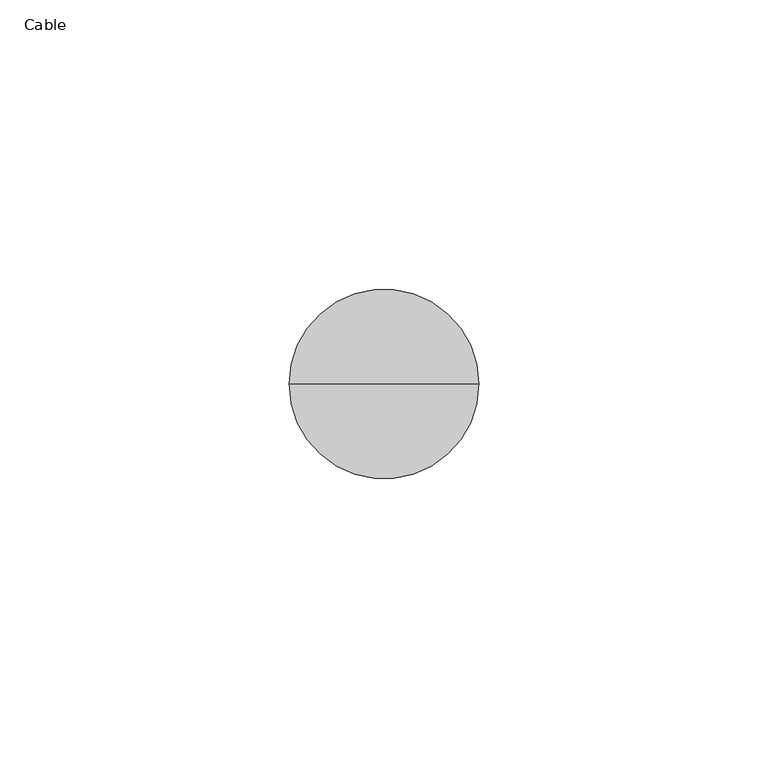
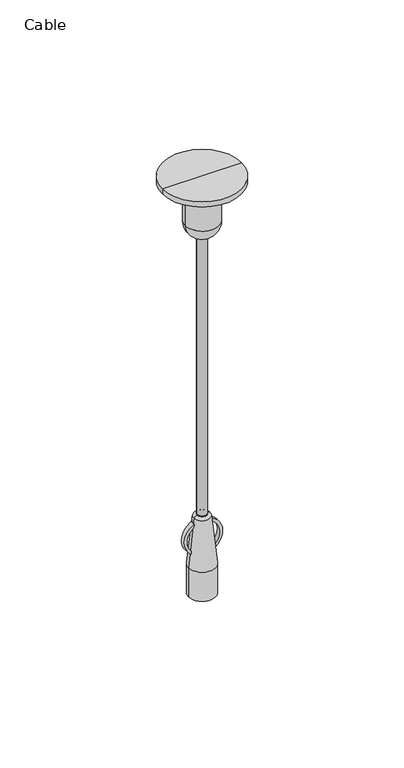
"""IFC4 building model written with IfcOpenShell, lengths in millimetres: proxy geometry, Cable."""

import ifcopenshell
import ifcopenshell.guid

model = None  # the IFC model being written
_history = None  # IfcOwnerHistory: only IFC2X3 demands one
_inside = {}  # id of a spatial element -> (the spatial element, [elements in it])
_under = {}  # id of a project, library or spatial element -> (it, [spatial elements below it])
_declared = {}  # id of a project -> (the project, [libraries it declares])
_typed = {}  # id of a type object -> (the type object, [elements of that type])
_made_of = {}  # id of a material, layer set ... -> (it, [elements and type objects made of it])


def new_model(schema):
    """Start an empty IFC model of exactly this schema.

    Asked for "IFC4X3", IfcOpenShell would pick the latest addendum, in which some entities
    have other attributes; the version numbers below select the first issue.
    IFC2X3 requires an IfcOwnerHistory on every rooted entity: one is made here for all.
    """
    global model, _history
    if schema == "IFC4X3":
        model = ifcopenshell.file(schema_version=(4, 3, 0, 0))
    else:
        model = ifcopenshell.file(schema=schema)
    _inside.clear()
    _under.clear()
    _declared.clear()
    _typed.clear()
    _made_of.clear()
    _history = None
    if model.schema == "IFC2X3":
        org = make("IfcOrganization", Name="unknown")
        user = make(
            "IfcPersonAndOrganization",
            ThePerson=make("IfcPerson", FamilyName="unknown"),
            TheOrganization=org,
        )
        app = make(
            "IfcApplication",
            ApplicationDeveloper=org,
            Version="unknown",
            ApplicationFullName="unknown",
            ApplicationIdentifier="unknown",
        )
        _history = make(
            "IfcOwnerHistory",
            OwningUser=user,
            OwningApplication=app,
            ChangeAction="ADDED",
            CreationDate=0,
        )
    return model


def make(cls, **values):
    """One entity of the class cls with the attributes given. An attribute that is None is left unset."""
    return model.create_entity(
        cls, **{name: value for name, value in values.items() if value is not None}
    )


def rooted(cls, **values):
    """An entity with a GlobalId (a new one), such as an element, a storey or a relation."""
    return make(cls, GlobalId=ifcopenshell.guid.new(), OwnerHistory=_history, **values)


def si_unit(unit_type, name, prefix=None):
    """IfcSIUnit, for example si_unit("LENGTHUNIT", "METRE", prefix="MILLI")."""
    return make("IfcSIUnit", UnitType=unit_type, Prefix=prefix, Name=name)


def assignment(units):
    """IfcUnitAssignment: the units of a project."""
    return None if units is None else make("IfcUnitAssignment", Units=units)


def point(xyz):
    """IfcCartesianPoint."""
    return None if xyz is None else make("IfcCartesianPoint", Coordinates=xyz)


def direction(xyz):
    """IfcDirection."""
    return None if xyz is None else make("IfcDirection", DirectionRatios=xyz)


def frame(location, z_axis=None, x_axis=None):
    """IfcAxis2Placement3D, a coordinate frame: its origin and axes. An axis left out is left unset."""
    return make(
        "IfcAxis2Placement3D",
        Location=point(location),
        Axis=direction(z_axis),
        RefDirection=direction(x_axis),
    )


def frame_2d(location, x_axis=None):
    """IfcAxis2Placement2D, a coordinate frame in the plane: its origin and x axis."""
    return make(
        "IfcAxis2Placement2D", Location=point(location), RefDirection=direction(x_axis)
    )


def origin():
    """The frame at (0, 0, 0) with its axes left unset."""
    return frame((0.0, 0.0, 0.0))


def origin_2d():
    """The frame at (0, 0) in the plane with its x axis left unset."""
    return frame_2d((0.0, 0.0))


def place(relative_to, where):
    """IfcLocalPlacement: puts the frame where relative to a parent placement (None: the world)."""
    return make(
        "IfcLocalPlacement", PlacementRelTo=relative_to, RelativePlacement=where
    )


def context(
    kind, dimensions, precision=None, world=None, true_north=None, identifier=None
):
    """IfcGeometricRepresentationContext, for example the 3D "Model" context."""
    return make(
        "IfcGeometricRepresentationContext",
        ContextIdentifier=identifier,
        ContextType=kind,
        CoordinateSpaceDimension=dimensions,
        Precision=precision,
        WorldCoordinateSystem=world,
        TrueNorth=true_north,
    )


def project(units=None, contexts=None):
    """IfcProject with its units and contexts."""
    return rooted(
        "IfcProject",
        Name="project",
        RepresentationContexts=contexts,
        UnitsInContext=assignment(units),
    )


def spatial(cls, under=None, at=None, **own):
    """A site, building, storey or space (cls), placed at a placement, below another one or the project."""
    s = rooted(cls, ObjectPlacement=at, **own)
    if under is not None:
        _under.setdefault(under.id(), (under, []))[1].append(s)
    return s


def polyline(points):
    """IfcPolyline through the points."""
    return make("IfcPolyline", Points=[point(p) for p in points])


def circle_curve(where, radius):
    """IfcCircle in the frame where."""
    return make("IfcCircle", Position=where, Radius=radius)


def ellipse_curve(where, semi_axis1, semi_axis2):
    """IfcEllipse in the frame where."""
    return make(
        "IfcEllipse", Position=where, SemiAxis1=semi_axis1, SemiAxis2=semi_axis2
    )


def trimmed(basis, trim1, trim2, sense, master):
    """IfcTrimmedCurve: the piece of a basis curve between two trims."""
    return make(
        "IfcTrimmedCurve",
        BasisCurve=basis,
        Trim1=trim1,
        Trim2=trim2,
        SenseAgreement=sense,
        MasterRepresentation=master,
    )


def segment(curve, same_sense, transition):
    """IfcCompositeCurveSegment."""
    return make(
        "IfcCompositeCurveSegment",
        Transition=transition,
        SameSense=same_sense,
        ParentCurve=curve,
    )


def composite_curve(segments, self_intersect=None):
    """IfcCompositeCurve: segments joined end to end."""
    return make("IfcCompositeCurve", Segments=segments, SelfIntersect=self_intersect)


def outline(outer, holes=None, kind="AREA"):
    """IfcArbitraryClosedProfileDef: a profile drawn as a closed curve; with holes, ...WithVoids."""
    if holes is None:
        return make("IfcArbitraryClosedProfileDef", ProfileType=kind, OuterCurve=outer)
    return make(
        "IfcArbitraryProfileDefWithVoids",
        ProfileType=kind,
        OuterCurve=outer,
        InnerCurves=holes,
    )


def extrude(swept, where, along, depth):
    """IfcExtrudedAreaSolid: the profile swept, set in the frame where, extruded along a direction by depth."""
    return make(
        "IfcExtrudedAreaSolid",
        SweptArea=swept,
        Position=where,
        ExtrudedDirection=direction(along),
        Depth=depth,
    )


def shape(context_of_items, identifier, shape_type, items):
    """IfcShapeRepresentation: the items that make up one representation, for example the "Body"."""
    return make(
        "IfcShapeRepresentation",
        ContextOfItems=context_of_items,
        RepresentationIdentifier=identifier,
        RepresentationType=shape_type,
        Items=items,
    )


def source(mapping_origin, context_of_items, identifier, shape_type, items):
    """IfcRepresentationMap: a shape defined once, which mapped items show again and again."""
    return make(
        "IfcRepresentationMap",
        MappingOrigin=mapping_origin,
        MappedRepresentation=shape(context_of_items, identifier, shape_type, items),
    )


def transform(
    local_origin,
    x_axis=None,
    y_axis=None,
    z_axis=None,
    scale=None,
    scale2=None,
    scale3=None,
    uniform=True,
):
    """IfcCartesianTransformationOperator3D, or its non-uniform kind. x_axis, y_axis, z_axis: its Axis1, 2, 3."""
    if uniform:
        return make(
            "IfcCartesianTransformationOperator3D",
            Axis1=direction(x_axis),
            Axis2=direction(y_axis),
            LocalOrigin=point(local_origin),
            Scale=scale,
            Axis3=direction(z_axis),
        )
    return make(
        "IfcCartesianTransformationOperator3DnonUniform",
        Axis1=direction(x_axis),
        Axis2=direction(y_axis),
        LocalOrigin=point(local_origin),
        Scale=scale,
        Axis3=direction(z_axis),
        Scale2=scale2,
        Scale3=scale3,
    )


def mapped(mapping_source, mapping_target):
    """IfcMappedItem: shows the shape of a source again, moved by a transform."""
    return make(
        "IfcMappedItem", MappingSource=mapping_source, MappingTarget=mapping_target
    )


def made_of(thing, what):
    """Note that an element or type object is made of a material, layer set ...; save() writes the relation."""
    if what is not None:
        _made_of.setdefault(what.id(), (what, []))[1].append(thing)
    return thing


def element(
    cls,
    number,
    at=None,
    inside=None,
    cuts=None,
    type_object=None,
    material=None,
    context=None,
    identifier="Body",
    shape_type=None,
    held_by="IfcProductDefinitionShape",
    body=None,
    shapes=None,
    **own,
):
    """One element of the class cls, such as IfcWall. Its Tag is "e" and its number.

    at: its placement. inside: the storey or other place that contains it. cuts: it is an
    opening in that element (IfcRelVoidsElement). A single representation is given by context,
    identifier, shape_type and body (its items); several are given by shapes. held_by: the class
    of the entity that holds the representations. save() writes the other relations.
    """
    e = rooted(cls, Tag="e%d" % number, ObjectPlacement=at, **own)
    if body is not None:
        shapes = [shape(context, identifier, shape_type, body)]
    if shapes is not None:
        e.Representation = make(held_by, Representations=shapes)
    if inside is not None:
        _inside.setdefault(inside.id(), (inside, []))[1].append(e)
    if cuts is not None:
        rooted(
            "IfcRelVoidsElement", RelatingBuildingElement=cuts, RelatedOpeningElement=e
        )
    if type_object is not None:
        _typed.setdefault(type_object.id(), (type_object, []))[1].append(e)
    return made_of(e, material)


def aggregate(whole, parts):
    """IfcRelAggregates: a whole, such as a stair, and the parts it consists of."""
    return rooted("IfcRelAggregates", RelatingObject=whole, RelatedObjects=parts)


def save(model, path):
    """Write the relations noted so far, then the file.

    IfcRelAggregates (storeys below a building ...), IfcRelContainedInSpatialStructure (elements
    in a storey), IfcRelDefinesByType, IfcRelAssociatesMaterial and IfcRelDeclares: one each for
    every whole, place, type object, material and project.
    """
    for whole, parts in _under.values():
        aggregate(whole, parts)
    for where, things in _inside.values():
        rooted(
            "IfcRelContainedInSpatialStructure",
            RelatedElements=things,
            RelatingStructure=where,
        )
    for kind, things in _typed.values():
        rooted("IfcRelDefinesByType", RelatedObjects=things, RelatingType=kind)
    for what, things in _made_of.values():
        rooted("IfcRelAssociatesMaterial", RelatedObjects=things, RelatingMaterial=what)
    for by, libraries in _declared.values():
        rooted("IfcRelDeclares", RelatingContext=by, RelatedDefinitions=libraries)
    model.write(path)


def plane_surface(at):
    """IfcPlane: the flat surface through the origin of the frame at, square to its z axis."""
    return make("IfcPlane", Position=at)


def cylinder_surface(at, radius):
    """IfcCylindricalSurface: all points at the distance radius from the z axis of the frame at."""
    return make("IfcCylindricalSurface", Position=at, Radius=radius)


def revolved_surface(curve, axis_point, axis_direction):
    """IfcSurfaceOfRevolution: the curve turned about the line through axis_point along axis_direction."""
    return make(
        "IfcSurfaceOfRevolution",
        SweptCurve=make("IfcArbitraryOpenProfileDef", ProfileType="CURVE", Curve=curve),
        AxisPosition=make("IfcAxis1Placement", Location=point(axis_point), Axis=direction(axis_direction)),
    )


def advanced_brep(points, edges, surfaces, faces):
    """IfcAdvancedBrep: a solid bounded by faces that lie on surfaces and meet in shared edges.

    An edge is (start, end): straight between two places in points (the first is 0);
    or (start, end, curve); or (start, end, curve, False) where it runs against its curve.
    A face is (place in surfaces, loops), or (place, loops, False) where it looks against
    its surface's normal. A loop lists edges by number (the first is 1), with a minus sign
    where the edge is run from its end to its start. The first loop is the outer one.
    """
    corners = [point(p) for p in points]
    vertices = [make("IfcVertexPoint", VertexGeometry=c) for c in corners]
    made = []
    for start, end, *more in edges:
        made.append(
            make(
                "IfcEdgeCurve",
                EdgeStart=vertices[start],
                EdgeEnd=vertices[end],
                EdgeGeometry=more[0] if more else make("IfcPolyline", Points=[corners[start], corners[end]]),
                SameSense=more[1] if len(more) > 1 else True,
            )
        )
    hull = []
    for where, loops, *sense in faces:
        bounds = []
        for j, loop in enumerate(loops):
            ring = [make("IfcOrientedEdge", EdgeElement=made[abs(k) - 1], Orientation=k > 0) for k in loop]
            bounds.append(
                make(
                    "IfcFaceOuterBound" if j == 0 else "IfcFaceBound",
                    Bound=make("IfcEdgeLoop", EdgeList=ring),
                    Orientation=True,
                )
            )
        hull.append(make("IfcAdvancedFace", Bounds=bounds, FaceSurface=surfaces[where], SameSense=sense[0] if sense else True))
    return make("IfcAdvancedBrep", Outer=make("IfcClosedShell", CfsFaces=hull))


def cable_4fbba358(model_context):
    return source(origin(), model_context, "Body", "SolidModel", [
        advanced_brep(
        [(0.0, 0.0, 156.0151477), (-2.0, 0.0, 156.0151477), (2.0, 0.0, 156.0151477), (16.3642519, 0.0, 182.0), (-16.3642519, 0.0, 182.0), (0.0, 0.0, 182.0), (16.3642519, 0.0, 179.7377835), (-16.3642519, 0.0, 179.7377835), (7.0451863, 0.0, 179.7377835), (-7.0451863, 0.0, 179.7377835), (7.0451863, 0.0, 162.7103361), (-7.0451863, 0.0, 162.7103361)],
        [
            (0, 1),
            (1, 2, circle_curve(frame((0.0, 0.0, 156.0151477), z_axis=(0.0, 0.0, -1.0), x_axis=(-1.0, 0.0, 0.0)), 2.0)),
            (2, 0),
            (2, 1, circle_curve(frame((0.0, 0.0, 156.0151477), z_axis=(0.0, 0.0, -1.0), x_axis=(-1.0, 0.0, 0.0)), 2.0)),
            (3, 4, circle_curve(frame((0.0, 0.0, 182.0), z_axis=(0.0, 0.0, 1.0), x_axis=(-1.0, 0.0, 0.0)), 16.3642519)),
            (4, 5),
            (5, 3),
            (4, 3, circle_curve(frame((0.0, 0.0, 182.0), z_axis=(0.0, 0.0, 1.0), x_axis=(-1.0, 0.0, 0.0)), 16.3642519)),
            (6, 7, circle_curve(frame((0.0, 0.0, 179.7377835), z_axis=(0.0, 0.0, 1.0), x_axis=(-1.0, 0.0, 0.0)), 16.3642519)),
            (7, 4),
            (3, 6),
            (7, 6, circle_curve(frame((0.0, 0.0, 179.7377835), z_axis=(0.0, 0.0, 1.0), x_axis=(-1.0, 0.0, 0.0)), 16.3642519)),
            (8, 9, circle_curve(frame((0.0, 0.0, 179.7377835), z_axis=(0.0, 0.0, 1.0), x_axis=(-1.0, 0.0, 0.0)), 7.0451863)),
            (9, 7),
            (6, 8),
            (9, 8, circle_curve(frame((0.0, 0.0, 179.7377835), z_axis=(0.0, 0.0, 1.0), x_axis=(-1.0, 0.0, 0.0)), 7.0451863)),
            (10, 11, circle_curve(frame((0.0, 0.0, 162.7103361), z_axis=(0.0, 0.0, 1.0), x_axis=(-1.0, 0.0, 0.0)), 7.0451863)),
            (11, 9),
            (8, 10),
            (11, 10, circle_curve(frame((0.0, 0.0, 162.7103361), z_axis=(0.0, 0.0, 1.0), x_axis=(-1.0, 0.0, 0.0)), 7.0451863)),
            (1, 11, circle_curve(frame((0.02028, 0.0, 162.7860424), z_axis=(0.0, 1.0, 0.0), x_axis=(1.0, 0.0, 0.0)), 7.0658719)),
            (10, 2, circle_curve(frame((-0.02028, 0.0, 162.7860424), z_axis=(0.0, 1.0, 0.0), x_axis=(-1.0, 0.0, 0.0)), 7.0658719)),
        ],
        [
            plane_surface(frame((0.0, 0.0, 156.0151477), z_axis=(0.0, 0.0, -1.0), x_axis=(-1.0, 0.0, 0.0))),
            plane_surface(frame((0.0, 0.0, 182.0), z_axis=(0.0, 0.0, 1.0), x_axis=(-1.0, 0.0, 0.0))),
            cylinder_surface(frame((0.0, 0.0, 2609.0581012), z_axis=(0.0, 0.0, -1.0), x_axis=(-1.0, 0.0, 0.0)), 16.3642519),
            plane_surface(frame((0.0, 0.0, 179.7377835), z_axis=(0.0, 0.0, -1.0), x_axis=(-1.0, 0.0, 0.0))),
            cylinder_surface(frame((0.0, 0.0, 2609.0581012), z_axis=(0.0, 0.0, -1.0), x_axis=(-1.0, 0.0, 0.0)), 7.0451863),
            revolved_surface(trimmed(ellipse_curve(frame((0.02028, 0.0, 162.7860424), z_axis=(0.0, -1.0, 0.0), x_axis=(1.0, 0.0, 0.0)), 7.0658719, 7.0658719), [point((-7.0451863, 0.0, 162.7103361))], [point((-2.0, 0.0, 156.0151477))], True, "CARTESIAN"), (0.0, 0.0, 2609.0581012), (0.0, 0.0, -1.0)),
        ],
        [
            (0, [[1, 2, 3]]),
            (0, [[-3, 4, -1]]),
            (1, [[5, 6, 7]]),
            (1, [[8, -7, -6]]),
            (2, [[9, 10, -5, 11]]),
            (2, [[12, -11, -8, -10]]),
            (3, [[13, 14, -9, 15]]),
            (3, [[16, -15, -12, -14]]),
            (4, [[17, 18, -13, 19]]),
            (4, [[20, -19, -16, -18]]),
            (5, [[-2, 21, -17, 22]]),
            (5, [[-4, -22, -20, -21]]),
        ],
    ),
        advanced_brep(
        [(0.0, 0.0, 0.0), (-5.5788296, 0.0, 0.0), (5.5788296, 0.0, 0.0), (2.0, 0.0, 34.5223941), (-2.0, 0.0, 34.5223941), (0.0, 0.0, 34.5223941), (3.375489, 0.0, 33.7058176), (-3.375489, 0.0, 33.7058176), (5.5788296, 0.0, 12.7424318), (-5.5788296, 0.0, 12.7424318)],
        [
            (0, 1),
            (1, 2, circle_curve(frame((0.0, 0.0, 0.0), z_axis=(0.0, 0.0, -1.0), x_axis=(-1.0, 0.0, 0.0)), 5.5788296)),
            (2, 0),
            (2, 1, circle_curve(frame((0.0, 0.0, 0.0), z_axis=(0.0, 0.0, -1.0), x_axis=(-1.0, 0.0, 0.0)), 5.5788296)),
            (3, 4, circle_curve(frame((0.0, 0.0, 34.5223941), z_axis=(0.0, 0.0, 1.0), x_axis=(-1.0, 0.0, 0.0)), 2.0)),
            (4, 5),
            (5, 3),
            (4, 3, circle_curve(frame((0.0, 0.0, 34.5223941), z_axis=(0.0, 0.0, 1.0), x_axis=(-1.0, 0.0, 0.0)), 2.0)),
            (6, 7, circle_curve(frame((0.0, 0.0, 33.7058176), z_axis=(0.0, 0.0, 1.0), x_axis=(-1.0, 0.0, 0.0)), 3.375489)),
            (7, 4, circle_curve(frame((-2.0, 0.0, 32.9556292), z_axis=(0.0, 1.0, 0.0), x_axis=(1.0, 0.0, 0.0)), 1.566765)),
            (3, 6, circle_curve(frame((2.0, 0.0, 32.9556292), z_axis=(0.0, 1.0, 0.0), x_axis=(-1.0, 0.0, 0.0)), 1.566765)),
            (7, 6, circle_curve(frame((0.0, 0.0, 33.7058176), z_axis=(0.0, 0.0, 1.0), x_axis=(-1.0, 0.0, 0.0)), 3.375489)),
            (8, 9, circle_curve(frame((0.0, 0.0, 12.7424318), z_axis=(0.0, 0.0, 1.0), x_axis=(-1.0, 0.0, 0.0)), 5.5788296)),
            (9, 7, circle_curve(frame((95.2494869, 0.0, 12.7424318), z_axis=(0.0, 1.0, 0.0), x_axis=(1.0, 0.0, 0.0)), 100.8283165)),
            (6, 8, circle_curve(frame((-95.2494869, 0.0, 12.7424318), z_axis=(0.0, 1.0, 0.0), x_axis=(-1.0, 0.0, 0.0)), 100.8283165)),
            (9, 8, circle_curve(frame((0.0, 0.0, 12.7424318), z_axis=(0.0, 0.0, 1.0), x_axis=(-1.0, 0.0, 0.0)), 5.5788296)),
            (1, 9),
            (8, 2),
        ],
        [
            plane_surface(frame((0.0, 0.0, 0.0), z_axis=(0.0, 0.0, -1.0), x_axis=(-1.0, 0.0, 0.0))),
            plane_surface(frame((0.0, 0.0, 34.5223941), z_axis=(0.0, 0.0, 1.0), x_axis=(-1.0, 0.0, 0.0))),
            revolved_surface(trimmed(ellipse_curve(frame((-2.0, 0.0, 32.9556292), z_axis=(0.0, -1.0, 0.0), x_axis=(1.0, 0.0, 0.0)), 1.566765, 1.566765), [point((-2.0, 0.0, 34.5223941))], [point((-3.375489, 0.0, 33.7058176))], True, "CARTESIAN"), (0.0, 0.0, 2609.0581012), (0.0, 0.0, -1.0)),
            revolved_surface(trimmed(ellipse_curve(frame((95.2494869, 0.0, 12.7424318), z_axis=(0.0, -1.0, 0.0), x_axis=(1.0, 0.0, 0.0)), 100.8283165, 100.8283165), [point((-3.375489, 0.0, 33.7058176))], [point((-5.5788296, 0.0, 12.7424318))], True, "CARTESIAN"), (0.0, 0.0, 2609.0581012), (0.0, 0.0, -1.0)),
            cylinder_surface(frame((0.0, 0.0, 2609.0581012), z_axis=(0.0, 0.0, -1.0), x_axis=(-1.0, 0.0, 0.0)), 5.5788296),
        ],
        [
            (0, [[1, 2, 3]]),
            (0, [[-3, 4, -1]]),
            (1, [[5, 6, 7]]),
            (1, [[8, -7, -6]]),
            (2, [[9, 10, -5, 11]]),
            (2, [[12, -11, -8, -10]]),
            (3, [[13, 14, -9, 15]]),
            (3, [[16, -15, -12, -14]]),
            (4, [[-2, 17, -13, 18]]),
            (4, [[-4, -18, -16, -17]]),
        ],
    ),
        extrude(outline(composite_curve([segment(trimmed(circle_curve(origin_2d(), 2.0), [point((-2.0, 0.0))], [point((2.0, 0.0))], False, "CARTESIAN"), True, "CONTINUOUS"), segment(trimmed(circle_curve(origin_2d(), 2.0), [point((2.0, 0.0))], [point((-2.0, 0.0))], False, "CARTESIAN"), True, "CONTINUOUS")], self_intersect=False)), frame((0.0, 0.0, 34.5223941), z_axis=(0.0, 0.0, 1.0), x_axis=(1.0, 0.0, 0.0)), (0.0, 0.0, 1.0), 121.4927536),
        extrude(outline(composite_curve([segment(polyline([(18.8685245, -4.9462063), (20.1424265, -4.9462063)]), True, "CONTINUOUS"), segment(trimmed(circle_curve(frame_2d((24.8309793, -0.2018368)), 6.6702), [point((20.1424265, -4.9462063))], [point((30.520414, -3.6834888))], True, "CARTESIAN"), True, "CONTINUOUS"), segment(polyline([(30.520414, -3.6834888), (31.8489781, -3.352407)]), True, "CONTINUOUS"), segment(trimmed(circle_curve(frame_2d((24.9008263, -0.4198065)), 7.5416814), [point((31.8489781, -3.352407))], [point((18.8685245, -4.9462063))], False, "CARTESIAN"), True, "CONTINUOUS")], self_intersect=False)), frame((0.0, -1.0, 0.0), z_axis=(0.0, 1.0, 0.0), x_axis=(0.0, 0.0, 1.0)), (0.0, 0.0, 1.0), 2.0),
        extrude(outline(composite_curve([segment(trimmed(circle_curve(frame_2d((24.9008263, 0.4198065)), 7.5416814), [point((18.8685245, 4.9462063))], [point((31.8489781, 3.352407))], False, "CARTESIAN"), True, "CONTINUOUS"), segment(polyline([(31.8489781, 3.352407), (30.520414, 3.6834888)]), True, "CONTINUOUS"), segment(trimmed(circle_curve(frame_2d((24.8309793, 0.2018368)), 6.6702), [point((30.520414, 3.6834888))], [point((20.1424265, 4.9462063))], True, "CARTESIAN"), True, "CONTINUOUS"), segment(polyline([(20.1424265, 4.9462063), (18.8685245, 4.9462063)]), True, "CONTINUOUS")], self_intersect=False)), frame((0.0, -1.0, 0.0), z_axis=(0.0, 1.0, 0.0), x_axis=(0.0, 0.0, 1.0)), (0.0, 0.0, 1.0), 2.0),
    ])


if __name__ == "__main__":
    model = new_model("IFC4")
    model_context = context("Model", 3, world=origin())
    ifc_project = project(units=[si_unit("LENGTHUNIT", "METRE", prefix="MILLI")], contexts=[model_context])
    site = spatial("IfcSite", under=ifc_project)
    building = spatial("IfcBuilding", under=site)
    placement = place(None, origin())
    cable_shape = cable_4fbba358(model_context)
    element("IfcBuildingElementProxy", 1, Name="Cable", ObjectType="Cable", at=placement, inside=building, context=model_context, shape_type="MappedRepresentation", body=[
        mapped(cable_shape, transform((0.0, 0.0, 0.0), x_axis=(1.0, 0.0, 0.0), y_axis=(0.0, 1.0, 0.0), z_axis=(0.0, 0.0, 1.0))),
    ])
    save(model, "model.ifc")
